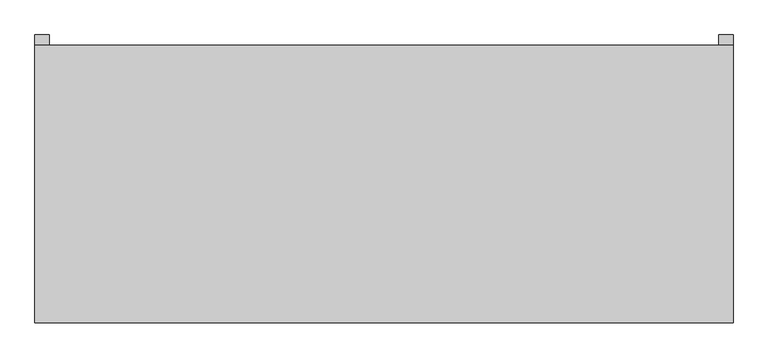
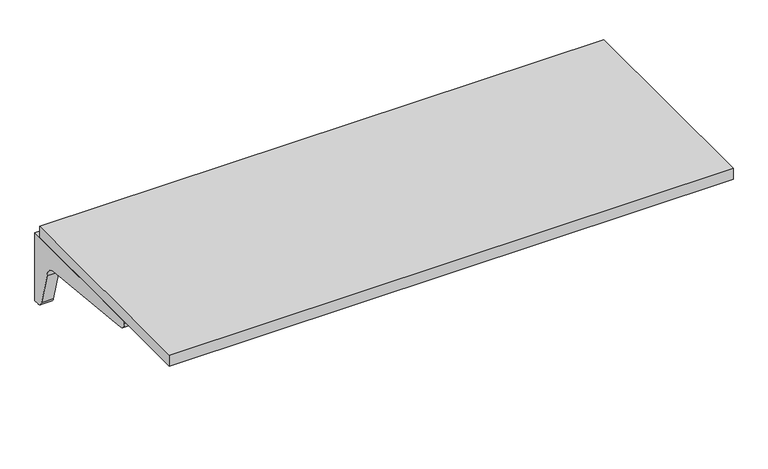
"""IFC4 building model written with IfcOpenShell, lengths in millimetres: furniture geometry."""

from ifc_helpers import new_model, si_unit, point, frame, frame_2d, origin, place, context, project, spatial, polyline, circle_curve, trimmed, segment, composite_curve, outline, extrude, source, transform, mapped, element, save


def furniture_a96273da(model_context):
    return source(origin(), model_context, "Body", "SweptSolid", [
        extrude(outline(composite_curve([segment(polyline([(314.325, 704.85), (314.325, 511.175), (301.625, 511.175)]), True, "CONTINUOUS"), segment(trimmed(circle_curve(frame_2d((299.3081081, 528.3371622)), 17.3178462), [point((301.625, 511.175))], [point((282.575, 523.875))], False, "CARTESIAN"), True, "CONTINUOUS"), segment(polyline([(282.575, 523.875), (257.175, 615.95)]), True, "CONTINUOUS"), segment(trimmed(circle_curve(frame_2d((221.8170455, 612.3420455)), 35.5415572), [point((257.175, 615.95))], [point((225.425, 647.7))], True, "CARTESIAN"), True, "CONTINUOUS"), segment(polyline([(225.425, 647.7), (-85.725, 679.45)]), True, "CONTINUOUS"), segment(trimmed(circle_curve(frame_2d((-85.725, 698.5)), 19.05), [point((-85.725, 679.45))], [point((-104.775, 698.5))], False, "CARTESIAN"), True, "CONTINUOUS"), segment(polyline([(-104.775, 698.5), (-104.775, 704.85), (314.325, 704.85)]), True, "CONTINUOUS")], self_intersect=False)), frame((730.25, 0.0, 0.0), z_axis=(1.0, 0.0, 0.0), x_axis=(0.0, 1.0, 0.0)), (0.0, 0.0, 1.0), 31.75),
        extrude(outline(composite_curve([segment(polyline([(314.325, 704.85), (314.325, 511.175), (301.625, 511.175)]), True, "CONTINUOUS"), segment(trimmed(circle_curve(frame_2d((299.3081081, 528.3371622)), 17.3178462), [point((301.625, 511.175))], [point((282.575, 523.875))], False, "CARTESIAN"), True, "CONTINUOUS"), segment(polyline([(282.575, 523.875), (257.175, 615.95)]), True, "CONTINUOUS"), segment(trimmed(circle_curve(frame_2d((221.8170455, 612.3420455)), 35.5415572), [point((257.175, 615.95))], [point((225.425, 647.7))], True, "CARTESIAN"), True, "CONTINUOUS"), segment(polyline([(225.425, 647.7), (-85.725, 679.45)]), True, "CONTINUOUS"), segment(trimmed(circle_curve(frame_2d((-85.725, 698.5)), 19.05), [point((-85.725, 679.45))], [point((-104.775, 698.5))], False, "CARTESIAN"), True, "CONTINUOUS"), segment(polyline([(-104.775, 698.5), (-104.775, 704.85), (314.325, 704.85)]), True, "CONTINUOUS")], self_intersect=False)), frame((-762.0, 0.0, 0.0), z_axis=(1.0, 0.0, 0.0), x_axis=(0.0, 1.0, 0.0)), (0.0, 0.0, 1.0), 31.75),
        extrude(outline(polyline([(-762.0, 292.1), (762.0, 292.1), (762.0, -314.325), (-762.0, -314.325), (-762.0, 292.1)])), frame((0.0, 0.0, 704.85), z_axis=(0.0, 0.0, 1.0), x_axis=(1.0, 0.0, 0.0)), (0.0, 0.0, 1.0), 31.75),
    ])


if __name__ == "__main__":
    model = new_model("IFC4")
    model_context = context("Model", 3, world=origin())
    ifc_project = project(units=[si_unit("LENGTHUNIT", "METRE", prefix="MILLI")], contexts=[model_context])
    site = spatial("IfcSite", under=ifc_project)
    building = spatial("IfcBuilding", under=site)
    placement = place(None, origin())
    furniture_shape = furniture_a96273da(model_context)
    element("IfcFurniture", 1, at=placement, inside=building, context=model_context, shape_type="MappedRepresentation", body=[
        mapped(furniture_shape, transform((0.0, 0.0, 0.0), x_axis=(1.0, 0.0, 0.0), y_axis=(0.0, 1.0, 0.0), z_axis=(0.0, 0.0, 1.0))),
    ])
    save(model, "model.ifc")
